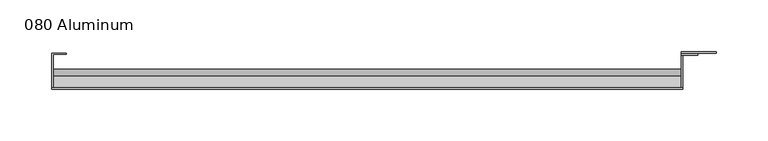
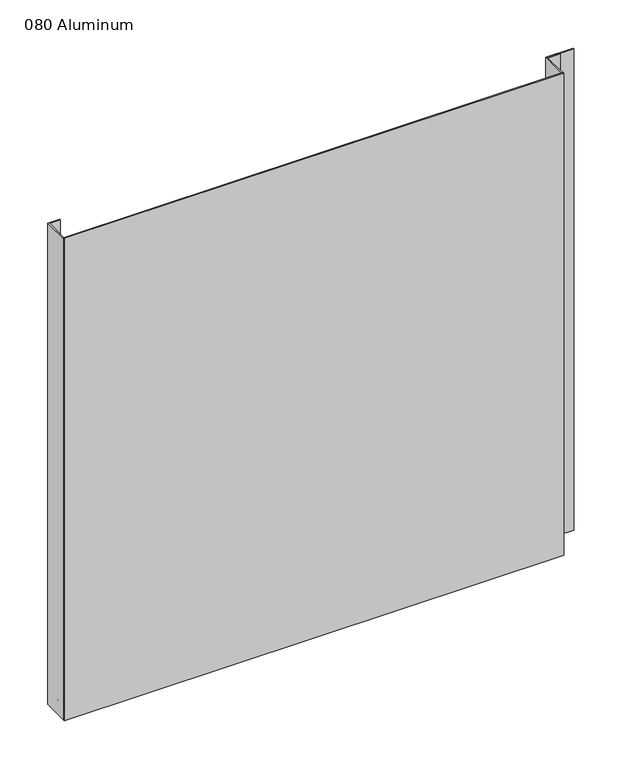
"""IFC4 building model written with IfcOpenShell, lengths in millimetres: plate geometry, 080 Aluminum."""

from ifc_helpers import new_model, si_unit, point, frame, frame_2d, origin, origin_with_axes, place, context, project, spatial, polyline, circle_curve, trimmed, segment, composite_curve, outline, extrude, source, transform, mapped, element, save


def plate_080_aluminum_d2d3fa67(model_context):
    return source(origin(), model_context, "Body", "SweptSolid", [
        extrude(outline(polyline([(-309.88, -2.5660257), (-309.88, -34.7980001), (-311.1499999, -34.7980001), (-311.1499999, -1.2699999), (-296.9894994, -1.2699999), (-296.9894994, -2.5660257), (-309.88, -2.5660257)])), origin_with_axes(), (0.0, 0.0, 1.0), 621.03),
        extrude(outline(composite_curve([segment(polyline([(-16.6765477, 13.1458337), (-16.6765477, 2.786437), (-17.9464915, 2.786437), (-17.9464915, 13.1323356)]), True, "CONTINUOUS"), segment(trimmed(circle_curve(frame_2d((-19.8514743, 13.124237)), 1.905), [point((-17.9464915, 13.1323356))], [point((-21.7564743, 13.124237))], True, "CARTESIAN"), True, "CONTINUOUS"), segment(polyline([(-21.7564743, 13.124237), (-21.7564743, 0.0), (-34.7980002, 0.0), (-34.7980002, 1.2693678), (-23.0264743, 1.2693678), (-23.0264743, 13.124237)]), True, "CONTINUOUS"), segment(trimmed(circle_curve(frame_2d((-19.8514743, 13.124237)), 3.175), [point((-23.0264743, 13.124237))], [point((-16.6765477, 13.1458337))], False, "CARTESIAN"), True, "CONTINUOUS")], self_intersect=False)), frame((-309.88, 0.0, 0.0), z_axis=(1.0, 0.0, 0.0), x_axis=(0.0, 1.0, 0.0)), (0.0, 0.0, 1.0), 607.06),
        extrude(outline(polyline([(-311.15, -36.068), (-311.15, -34.7980001), (298.45, -34.7980001), (298.45, -36.068), (-311.15, -36.068)])), origin_with_axes(), (0.0, 0.0, 1.0), 622.3),
        extrude(outline(polyline([(298.45, -1.2699999), (298.45, -34.7980002), (297.1800001, -34.7980002), (297.1800001, 0.0), (330.9620856, 0.0), (330.9620856, -1.2699999), (298.45, -1.2699999)])), origin_with_axes(), (0.0, 0.0, 1.0), 621.03),
        extrude(outline(polyline([(297.18, -3.3274743), (297.18, -2.0574743), (312.9279999, -2.0574743), (312.9279999, -3.3274743), (297.18, -3.3274743)])), origin_with_axes(), (0.0, 0.0, 1.0), 622.3),
    ])


if __name__ == "__main__":
    model = new_model("IFC4")
    model_context = context("Model", 3, world=origin())
    ifc_project = project(units=[si_unit("LENGTHUNIT", "METRE", prefix="MILLI")], contexts=[model_context])
    site = spatial("IfcSite", under=ifc_project)
    building = spatial("IfcBuilding", under=site)
    placement = place(None, origin())
    plate_080_aluminum_shape = plate_080_aluminum_d2d3fa67(model_context)
    element("IfcPlate", 1, ObjectType="080 Aluminum", at=placement, inside=building, context=model_context, shape_type="MappedRepresentation", body=[
        mapped(plate_080_aluminum_shape, transform((0.0, 0.0, 0.0), x_axis=(1.0, 0.0, 0.0), y_axis=(0.0, 1.0, 0.0), z_axis=(0.0, 0.0, 1.0))),
    ])
    save(model, "model.ifc")
